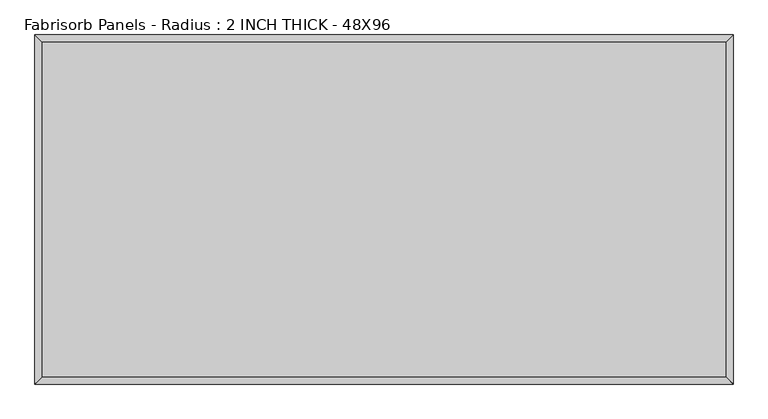
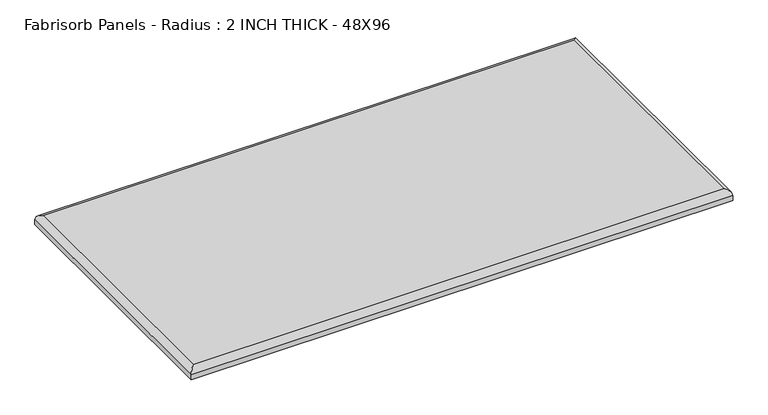
"""IFC4 building model written with IfcOpenShell, lengths in millimetres: proxy geometry, Fabrisorb Panels - Radius : 2 INCH THICK - 48X96."""

from ifc_helpers import new_model, si_unit, frame, origin, place, context, project, spatial, ellipse_curve, source, transform, mapped, element, save
from ifc_brep_helpers import plane_surface, cylinder_surface, advanced_brep


def fabrisorb_panels_radius_2_inch_thick_48x96_47fcefdc(model_context):
    return source(origin(), model_context, "Body", "AdvancedBrep", [
        advanced_brep(
        [(1193.8, 584.2, 50.8), (-1193.8, 584.2, 50.8), (-1193.8, -584.2, 50.8), (1193.8, -584.2, 50.8), (-1219.2, 609.6, 0.0), (1219.2, 609.6, 0.0), (1219.2, -609.6, 0.0), (-1219.2, -609.6, 0.0), (-1219.2, -609.6, 25.4), (-1219.2, 609.6, 25.4), (1219.2, -609.6, 25.4), (1219.2, 609.6, 25.4)],
        [
            (0, 1),
            (1, 2),
            (2, 3),
            (3, 0),
            (4, 5),
            (5, 6),
            (6, 7),
            (7, 4),
            (7, 8),
            (8, 9),
            (9, 4),
            (6, 10),
            (10, 8),
            (5, 11),
            (11, 10),
            (9, 11),
            (9, 1, ellipse_curve(frame((-1193.8, 584.2, 25.4), z_axis=(0.7071067811865475, 0.7071067811865475, 0.0), x_axis=(-0.7071067811865476, 0.7071067811865474, 0.0)), 35.9210245, 25.4)),
            (0, 11, ellipse_curve(frame((1193.8, 584.2, 25.4), z_axis=(-0.7071067811865475, 0.7071067811865476, 0.0), x_axis=(-0.7071067811865476, -0.7071067811865475, 0.0)), 35.9210245, 25.4)),
            (8, 2, ellipse_curve(frame((-1193.8, -584.2, 25.4), z_axis=(-0.7071067811865475, 0.7071067811865476, 0.0), x_axis=(-0.7071067811865476, -0.7071067811865474, 0.0)), 35.9210245, 25.4)),
            (10, 3, ellipse_curve(frame((1193.8, -584.2, 25.4), z_axis=(-0.7071067811865476, -0.7071067811865475, 0.0), x_axis=(0.7071067811865474, -0.7071067811865476, 0.0)), 35.9210245, 25.4)),
        ],
        [
            plane_surface(frame((-1219.2, 609.6, 50.8), z_axis=(0.0, 0.0, 1.0), x_axis=(0.0, -1.0, 0.0))),
            plane_surface(frame((-1219.2, 609.6, 0.0), z_axis=(0.0, 0.0, -1.0), x_axis=(0.0, 1.0, 0.0))),
            plane_surface(frame((-1219.2, 609.6, 50.8), z_axis=(-1.0, 0.0, 0.0), x_axis=(0.0, 0.0, -1.0))),
            plane_surface(frame((-1219.2, -609.6, 50.8), z_axis=(0.0, -1.0, 0.0), x_axis=(0.0, 0.0, -1.0))),
            plane_surface(frame((1219.2, -609.6, 50.8), z_axis=(1.0, 0.0, 0.0), x_axis=(0.0, 0.0, -1.0))),
            plane_surface(frame((1219.2, 609.6, 50.8), z_axis=(0.0, 1.0, 0.0), x_axis=(0.0, 0.0, -1.0))),
            cylinder_surface(frame((1219.2, 584.2, 25.4), z_axis=(-1.0, 0.0, 0.0), x_axis=(0.0, 1.0, 0.0)), 25.4),
            cylinder_surface(frame((-1193.8, 609.6, 25.4), z_axis=(0.0, -1.0, 0.0), x_axis=(-1.0, 0.0, 0.0)), 25.4),
            cylinder_surface(frame((-1219.2, -584.2, 25.4), z_axis=(1.0, 0.0, 0.0), x_axis=(0.0, -1.0, 0.0)), 25.4),
            cylinder_surface(frame((1193.8, -609.6, 25.4), z_axis=(0.0, 1.0, 0.0), x_axis=(1.0, 0.0, 0.0)), 25.4),
        ],
        [
            (0, [[1, 2, 3, 4]]),
            (1, [[5, 6, 7, 8]]),
            (2, [[-8, 9, 10, 11]]),
            (3, [[-7, 12, 13, -9]]),
            (4, [[-6, 14, 15, -12]]),
            (5, [[-5, -11, 16, -14]]),
            (6, [[17, -1, 18, -16]]),
            (7, [[-17, -10, 19, -2]]),
            (8, [[-19, -13, 20, -3]]),
            (9, [[-18, -4, -20, -15]]),
        ],
    ),
    ])


if __name__ == "__main__":
    model = new_model("IFC4")
    model_context = context("Model", 3, world=origin())
    ifc_project = project(units=[si_unit("LENGTHUNIT", "METRE", prefix="MILLI")], contexts=[model_context])
    site = spatial("IfcSite", under=ifc_project)
    building = spatial("IfcBuilding", under=site)
    placement = place(None, origin())
    fabrisorb_panels_radius_2_inch_thick_48x96_shape = fabrisorb_panels_radius_2_inch_thick_48x96_47fcefdc(model_context)
    element("IfcBuildingElementProxy", 1, Name="Fabrisorb Panels - Radius : 2 INCH THICK - 48X96", ObjectType="Fabrisorb Panels - Radius : 2 INCH THICK - 48X96", at=placement, inside=building, context=model_context, shape_type="MappedRepresentation", body=[
        mapped(fabrisorb_panels_radius_2_inch_thick_48x96_shape, transform((0.0, 0.0, 0.0), x_axis=(1.0, 0.0, 0.0), y_axis=(0.0, 1.0, 0.0), z_axis=(0.0, 0.0, 1.0))),
    ])
    save(model, "model.ifc")
